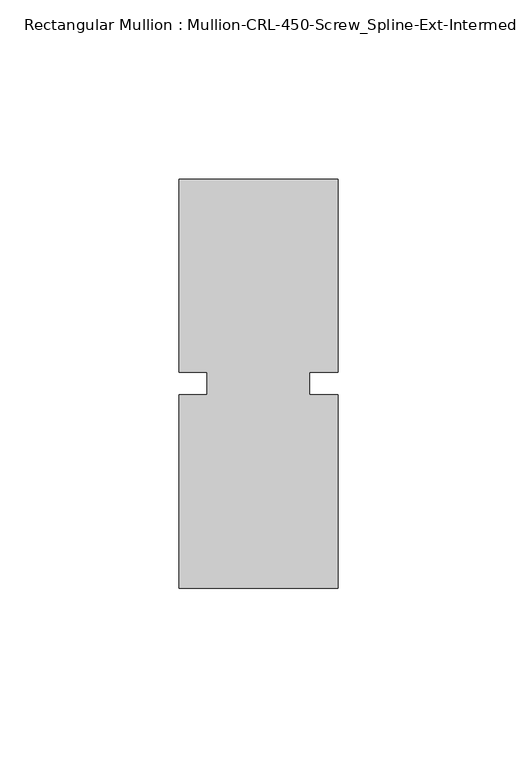
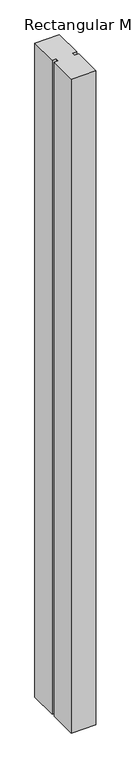
"""IFC4 building model written with IfcOpenShell, lengths in millimetres: member geometry, Rectangular Mullion : Mullion-CRL-450-Screw_Spline-Ext-Intermediate_Horizontal."""

from ifc_helpers import new_model, si_unit, frame, origin, place, context, project, spatial, polyline, outline, extrude, source, transform, mapped, element, save


def rectangular_mullion_mullion_crl_450_screw_spline_ext_b1acb5f3(model_context):
    return source(origin(), model_context, "Body", "SweptSolid", [
        extrude(outline(polyline([(-22.2249304, -3.175), (-14.2747305, -3.175), (-14.2747305, 3.175), (-22.2249304, 3.175), (-22.2249304, 57.15), (22.2249304, 57.15), (22.2249304, 3.175), (14.2874304, 3.175), (14.2874304, -3.175), (22.2249304, -3.175), (22.2249304, -57.15), (-22.2249304, -57.15), (-22.2249304, -3.175)])), frame((0.0, 0.0, -1256.2416595), z_axis=(0.0, 0.0, 1.0), x_axis=(1.0, 0.0, 0.0)), (0.0, 0.0, 1.0), 1256.2416595),
    ])


if __name__ == "__main__":
    model = new_model("IFC4")
    model_context = context("Model", 3, world=origin())
    ifc_project = project(units=[si_unit("LENGTHUNIT", "METRE", prefix="MILLI")], contexts=[model_context])
    site = spatial("IfcSite", under=ifc_project)
    building = spatial("IfcBuilding", under=site)
    placement = place(None, origin())
    rectangular_mullion_mullion_crl_450_screw_spline_ext_shape = rectangular_mullion_mullion_crl_450_screw_spline_ext_b1acb5f3(model_context)
    element("IfcMember", 1, ObjectType="Rectangular Mullion : Mullion-CRL-450-Screw_Spline-Ext-Intermediate_Horizontal", at=placement, inside=building, context=model_context, shape_type="MappedRepresentation", body=[
        mapped(rectangular_mullion_mullion_crl_450_screw_spline_ext_shape, transform((0.0, 0.0, 0.0), x_axis=(1.0, 0.0, 0.0), y_axis=(0.0, 1.0, 0.0), z_axis=(0.0, 0.0, 1.0))),
    ])
    save(model, "model.ifc")
